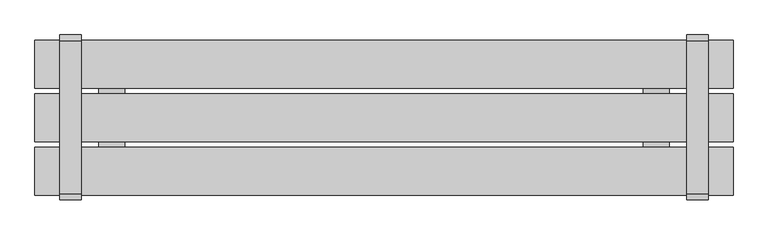
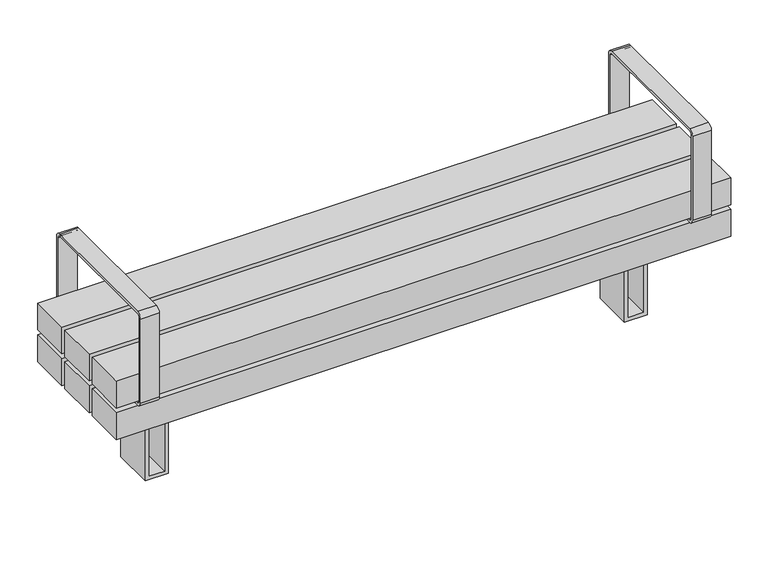
"""IFC4 building model written with IfcOpenShell, lengths in millimetres: furniture geometry."""

from ifc_helpers import new_model, si_unit, point, frame, frame_2d, origin, place, context, project, spatial, polyline, circle_curve, trimmed, segment, composite_curve, outline, extrude, source, transform, mapped, element, save


def furniture_d114637e(model_context):
    return source(origin(), model_context, "Body", "SweptSolid", [
        extrude(outline(composite_curve([segment(polyline([(198.4124417, 351.8217453), (-196.5875583, 351.8217453)]), True, "CONTINUOUS"), segment(trimmed(circle_curve(frame_2d((-196.5875583, 366.8217453)), 15.0), [point((-196.5875583, 351.8217453))], [point((-211.5875583, 366.8217453))], False, "CARTESIAN"), True, "CONTINUOUS"), segment(polyline([(-211.5875583, 366.8217453), (-211.5875583, 626.8217453)]), True, "CONTINUOUS"), segment(trimmed(circle_curve(frame_2d((-196.5875583, 626.8217453)), 15.0), [point((-211.5875583, 626.8217453))], [point((-196.5875583, 641.8217453))], False, "CARTESIAN"), True, "CONTINUOUS"), segment(polyline([(-196.5875583, 641.8217453), (198.4124417, 641.8217453)]), True, "CONTINUOUS"), segment(trimmed(circle_curve(frame_2d((198.4124417, 626.8217453)), 15.0), [point((198.4124417, 641.8217453))], [point((213.4124417, 626.8217453))], False, "CARTESIAN"), True, "CONTINUOUS"), segment(polyline([(213.4124417, 626.8217453), (213.4124417, 366.8217453)]), True, "CONTINUOUS"), segment(trimmed(circle_curve(frame_2d((198.4124417, 366.8217453)), 15.0), [point((213.4124417, 366.8217453))], [point((198.4124417, 351.8217453))], False, "CARTESIAN"), True, "CONTINUOUS")], self_intersect=False), holes=[composite_curve([segment(trimmed(circle_curve(frame_2d((-196.5875583, 366.8217453)), 6.5), [point((-203.0875583, 366.8217453))], [point((-196.5875583, 360.3217453))], True, "CARTESIAN"), True, "CONTINUOUS"), segment(polyline([(-196.5875583, 360.3217453), (198.4124417, 360.3217453)]), True, "CONTINUOUS"), segment(trimmed(circle_curve(frame_2d((198.4124417, 366.8217453)), 6.5), [point((198.4124417, 360.3217453))], [point((204.9124417, 366.8217453))], True, "CARTESIAN"), True, "CONTINUOUS"), segment(polyline([(204.9124417, 366.8217453), (204.9124417, 626.8217453)]), True, "CONTINUOUS"), segment(trimmed(circle_curve(frame_2d((198.4124417, 626.8217453)), 6.5), [point((204.9124417, 626.8217453))], [point((198.4124417, 633.3217453))], True, "CARTESIAN"), True, "CONTINUOUS"), segment(polyline([(198.4124417, 633.3217453), (-196.5875583, 633.3217453)]), True, "CONTINUOUS"), segment(trimmed(circle_curve(frame_2d((-196.5875583, 626.8217453)), 6.5), [point((-196.5875583, 633.3217453))], [point((-203.0875583, 626.8217453))], True, "CARTESIAN"), True, "CONTINUOUS"), segment(polyline([(-203.0875583, 626.8217453), (-203.0875583, 366.8217453)]), True, "CONTINUOUS")], self_intersect=False)]), frame((-836.1291871, 0.0, 0.0), z_axis=(1.0, 0.0, 0.0), x_axis=(0.0, 1.0, 0.0)), (0.0, 0.0, 1.0), 55.0),
        extrude(outline(polyline([(351.8217453, 900.0000373), (351.8217453, -900.0), (268.7167987, -900.0), (268.7167987, 900.0000373), (351.8217453, 900.0000373)]), holes=[polyline([(339.8217453, -888.0), (339.8217453, 888.0), (280.7167987, 888.0), (280.7167987, -888.0), (339.8217453, -888.0)])]), frame((0.0, -61.5000218, 0.0), z_axis=(0.0, 1.0, 0.0), x_axis=(0.0, 0.0, 1.0)), (0.0, 0.0, 1.0), 123.0000435),
        extrude(outline(polyline([(258.7167987, 618.4244034), (258.7167987, 668.4244034), (0.0, 668.4244034), (0.0, 735.4649994), (258.7167987, 735.4649994), (258.7167987, 785.4649994), (268.7167987, 785.4649994), (268.7167987, 725.4649994), (10.0, 725.4649994), (10.0, 678.4244034), (268.7167987, 678.4244034), (268.7167987, 618.4244034), (258.7167987, 618.4244034)])), frame((0.0, -61.5083224, 0.0), z_axis=(0.0, 1.0, 0.0), x_axis=(0.0, 0.0, 1.0)), (0.0, 0.0, 1.0), 123.0166879),
        extrude(outline(polyline([(258.7167987, -785.6380966), (258.7167987, -735.6380966), (0.0, -735.6380966), (0.0, -668.5975006), (258.7167987, -668.5975006), (258.7167987, -618.5975006), (268.7167987, -618.5975006), (268.7167987, -678.5975006), (10.0, -678.5975006), (10.0, -725.6380966), (268.7167987, -725.6380966), (268.7167987, -785.6380966), (258.7167987, -785.6380966)])), frame((0.0, -61.5083224, 0.0), z_axis=(0.0, 1.0, 0.0), x_axis=(0.0, 0.0, 1.0)), (0.0, 0.0, 1.0), 123.0166879),
        extrude(outline(composite_curve([segment(polyline([(198.4124417, 351.8217453), (-196.5875583, 351.8217453)]), True, "CONTINUOUS"), segment(trimmed(circle_curve(frame_2d((-196.5875583, 366.8217453)), 15.0), [point((-196.5875583, 351.8217453))], [point((-211.5875583, 366.8217453))], False, "CARTESIAN"), True, "CONTINUOUS"), segment(polyline([(-211.5875583, 366.8217453), (-211.5875583, 626.8217453)]), True, "CONTINUOUS"), segment(trimmed(circle_curve(frame_2d((-196.5875583, 626.8217453)), 15.0), [point((-211.5875583, 626.8217453))], [point((-196.5875583, 641.8217453))], False, "CARTESIAN"), True, "CONTINUOUS"), segment(polyline([(-196.5875583, 641.8217453), (198.4124417, 641.8217453)]), True, "CONTINUOUS"), segment(trimmed(circle_curve(frame_2d((198.4124417, 626.8217453)), 15.0), [point((198.4124417, 641.8217453))], [point((213.4124417, 626.8217453))], False, "CARTESIAN"), True, "CONTINUOUS"), segment(polyline([(213.4124417, 626.8217453), (213.4124417, 366.8217453)]), True, "CONTINUOUS"), segment(trimmed(circle_curve(frame_2d((198.4124417, 366.8217453)), 15.0), [point((213.4124417, 366.8217453))], [point((198.4124417, 351.8217453))], False, "CARTESIAN"), True, "CONTINUOUS")], self_intersect=False), holes=[composite_curve([segment(trimmed(circle_curve(frame_2d((-196.5875583, 366.8217453)), 6.5), [point((-203.0875583, 366.8217453))], [point((-196.5875583, 360.3217453))], True, "CARTESIAN"), True, "CONTINUOUS"), segment(polyline([(-196.5875583, 360.3217453), (198.4124417, 360.3217453)]), True, "CONTINUOUS"), segment(trimmed(circle_curve(frame_2d((198.4124417, 366.8217453)), 6.5), [point((198.4124417, 360.3217453))], [point((204.9124417, 366.8217453))], True, "CARTESIAN"), True, "CONTINUOUS"), segment(polyline([(204.9124417, 366.8217453), (204.9124417, 626.8217453)]), True, "CONTINUOUS"), segment(trimmed(circle_curve(frame_2d((198.4124417, 626.8217453)), 6.5), [point((204.9124417, 626.8217453))], [point((198.4124417, 633.3217453))], True, "CARTESIAN"), True, "CONTINUOUS"), segment(polyline([(198.4124417, 633.3217453), (-196.5875583, 633.3217453)]), True, "CONTINUOUS"), segment(trimmed(circle_curve(frame_2d((-196.5875583, 626.8217453)), 6.5), [point((-196.5875583, 633.3217453))], [point((-203.0875583, 626.8217453))], True, "CARTESIAN"), True, "CONTINUOUS"), segment(polyline([(-203.0875583, 626.8217453), (-203.0875583, 366.8217453)]), True, "CONTINUOUS")], self_intersect=False)]), frame((781.1291871, 0.0, 0.0), z_axis=(1.0, 0.0, 0.0), x_axis=(0.0, 1.0, 0.0)), (0.0, 0.0, 1.0), 55.0),
        extrude(outline(polyline([(900.0, -76.5174894), (900.0, -199.5174894), (-900.0, -199.5174894), (-900.0, -76.5174894), (900.0, -76.5174894)])), frame((0.0, 0.0, 366.8258682), z_axis=(0.0, 0.0, 1.0), x_axis=(1.0, 0.0, 0.0)), (0.0, 0.0, 1.0), 83.1049466),
        extrude(outline(polyline([(900.0, 61.4888479), (900.0, -61.5111521), (-900.0, -61.5111521), (-900.0, 61.4888479), (900.0, 61.4888479)])), frame((0.0, 0.0, 366.8258682), z_axis=(0.0, 0.0, 1.0), x_axis=(1.0, 0.0, 0.0)), (0.0, 0.0, 1.0), 83.1049466),
        extrude(outline(polyline([(900.0, 199.4999782), (900.0, 76.4999782), (-900.0, 76.4999782), (-900.0, 199.4999782), (900.0, 199.4999782)])), frame((0.0, 0.0, 366.8258682), z_axis=(0.0, 0.0, 1.0), x_axis=(1.0, 0.0, 0.0)), (0.0, 0.0, 1.0), 83.1049466),
        extrude(outline(polyline([(900.0, -76.5174894), (900.0, -199.5174894), (-900.0, -199.5174894), (-900.0, -76.5174894), (900.0, -76.5174894)])), frame((0.0, 0.0, 268.7167987), z_axis=(0.0, 0.0, 1.0), x_axis=(1.0, 0.0, 0.0)), (0.0, 0.0, 1.0), 83.1049466),
        extrude(outline(polyline([(900.0, 199.4999782), (900.0, 76.4999782), (-900.0, 76.4999782), (-900.0, 199.4999782), (900.0, 199.4999782)])), frame((0.0, 0.0, 268.7167987), z_axis=(0.0, 0.0, 1.0), x_axis=(1.0, 0.0, 0.0)), (0.0, 0.0, 1.0), 83.1049466),
        extrude(outline(polyline([(735.4649994, -171.2111197), (668.4244034, -171.2111197), (668.4244034, 168.7288553), (735.4649994, 168.7288553), (735.4649994, -171.2111197)])), frame((0.0, 0.0, 351.8217453), z_axis=(0.0, 0.0, 1.0), x_axis=(1.0, 0.0, 0.0)), (0.0, 0.0, 1.0), 15.004123),
        extrude(outline(polyline([(-668.5975006, -171.2111197), (-735.6380966, -171.2111197), (-735.6380966, 168.7288553), (-668.5975006, 168.7288553), (-668.5975006, -171.2111197)])), frame((0.0, 0.0, 351.8217453), z_axis=(0.0, 0.0, 1.0), x_axis=(1.0, 0.0, 0.0)), (0.0, 0.0, 1.0), 15.004123),
    ])


if __name__ == "__main__":
    model = new_model("IFC4")
    model_context = context("Model", 3, world=origin())
    ifc_project = project(units=[si_unit("LENGTHUNIT", "METRE", prefix="MILLI")], contexts=[model_context])
    site = spatial("IfcSite", under=ifc_project)
    building = spatial("IfcBuilding", under=site)
    placement = place(None, origin())
    furniture_shape = furniture_d114637e(model_context)
    element("IfcFurniture", 1, at=placement, inside=building, context=model_context, shape_type="MappedRepresentation", body=[
        mapped(furniture_shape, transform((0.0, 0.0, 0.0), x_axis=(1.0, 0.0, 0.0), y_axis=(0.0, 1.0, 0.0), z_axis=(0.0, 0.0, 1.0))),
    ])
    save(model, "model.ifc")
